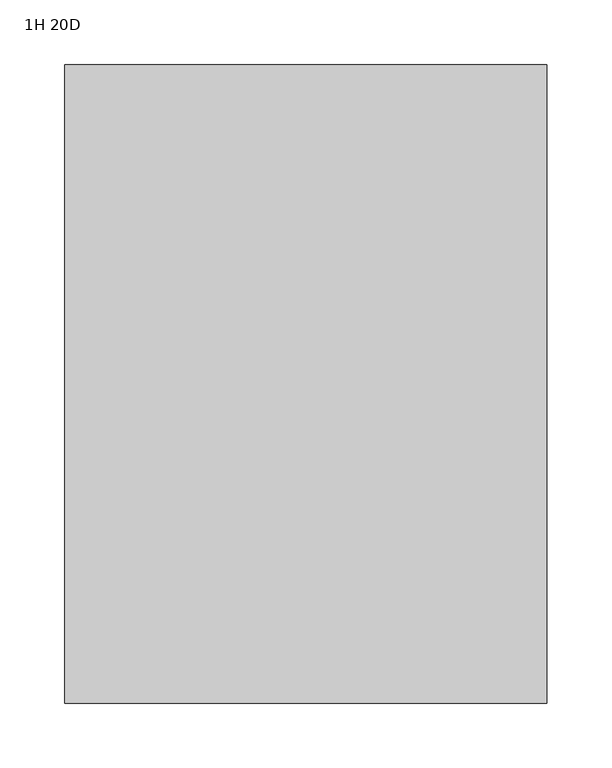
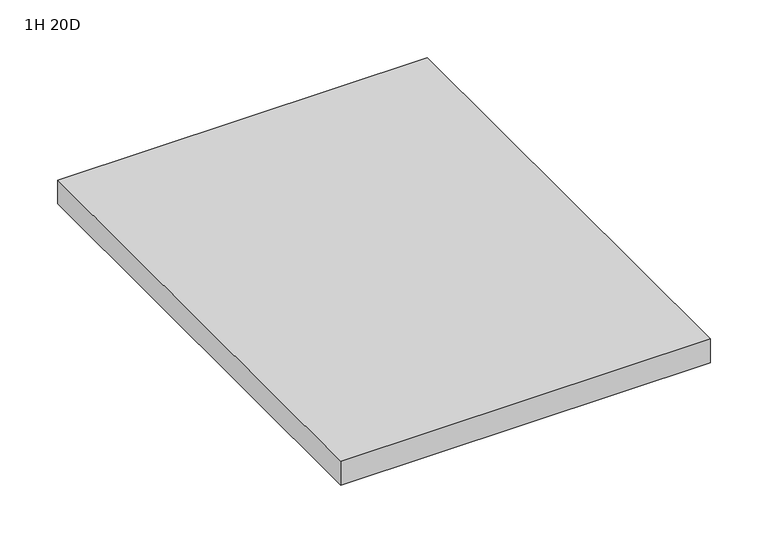
"""IFC4 building model written with IfcOpenShell, lengths in millimetres: furniture geometry, 1H 20D."""

from ifc_helpers import new_model, si_unit, frame, origin, place, context, project, spatial, polyline, outline, extrude, source, transform, mapped, element, save


def furniture_1h_20d_51ae6252(model_context):
    return source(origin(), model_context, "Body", "SweptSolid", [
        extrude(outline(polyline([(-288.925, 440.563), (-288.925, -51.562), (-660.4, -51.562), (-660.4, 440.563), (-288.925, 440.563)])), frame((0.0, 0.0, 545.3126), z_axis=(0.0, 0.0, 1.0), x_axis=(1.0, 0.0, 0.0)), (0.0, 0.0, 1.0), 25.4),
    ])


if __name__ == "__main__":
    model = new_model("IFC4")
    model_context = context("Model", 3, world=origin())
    ifc_project = project(units=[si_unit("LENGTHUNIT", "METRE", prefix="MILLI")], contexts=[model_context])
    site = spatial("IfcSite", under=ifc_project)
    building = spatial("IfcBuilding", under=site)
    placement = place(None, origin())
    furniture_1h_20d_shape = furniture_1h_20d_51ae6252(model_context)
    element("IfcFurniture", 1, ObjectType="1H 20D", at=placement, inside=building, context=model_context, shape_type="MappedRepresentation", body=[
        mapped(furniture_1h_20d_shape, transform((0.0, 0.0, 0.0), x_axis=(1.0, 0.0, 0.0), y_axis=(0.0, 1.0, 0.0), z_axis=(0.0, 0.0, 1.0))),
    ])
    save(model, "model.ifc")
